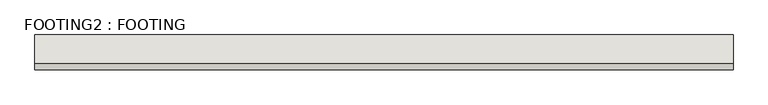
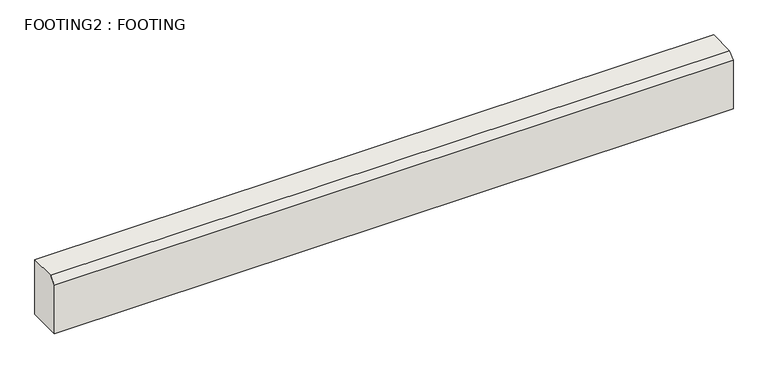
"""IFC4 building model written with IfcOpenShell, lengths in millimetres: wall geometry, FOOTING2 : FOOTING."""

from ifc_helpers import new_model, si_unit, frame, origin, place, context, project, spatial, polyline, outline, extrude, source, transform, mapped, element, save


def footing2_footing_7401d384(model_context):
    return source(origin(), model_context, "Body", "SweptSolid", [
        extrude(outline(polyline([(2204.1992817, 697.6481757), (2204.1992817, 481.7481757), (2077.1992817, 481.7481757), (2077.1992817, 673.8356757), (2101.0117817, 697.6481757), (2204.1992817, 697.6481757)])), frame((-1698.5606997, 0.0, 0.0), z_axis=(1.0, 0.0, 0.0), x_axis=(0.0, 1.0, 0.0)), (0.0, 0.0, 1.0), 2540.0),
    ])


if __name__ == "__main__":
    model = new_model("IFC4")
    model_context = context("Model", 3, world=origin())
    ifc_project = project(units=[si_unit("LENGTHUNIT", "METRE", prefix="MILLI")], contexts=[model_context])
    site = spatial("IfcSite", under=ifc_project)
    building = spatial("IfcBuilding", under=site)
    placement = place(None, origin())
    footing2_footing_shape = footing2_footing_7401d384(model_context)
    element("IfcWall", 1, ObjectType="FOOTING2 : FOOTING", at=placement, inside=building, context=model_context, shape_type="MappedRepresentation", body=[
        mapped(footing2_footing_shape, transform((0.0, 0.0, 0.0), x_axis=(1.0, 0.0, 0.0), y_axis=(0.0, 1.0, 0.0), z_axis=(0.0, 0.0, 1.0))),
    ])
    save(model, "model.ifc")
